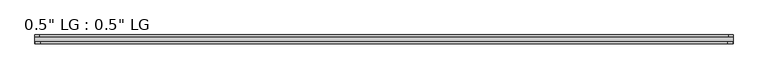
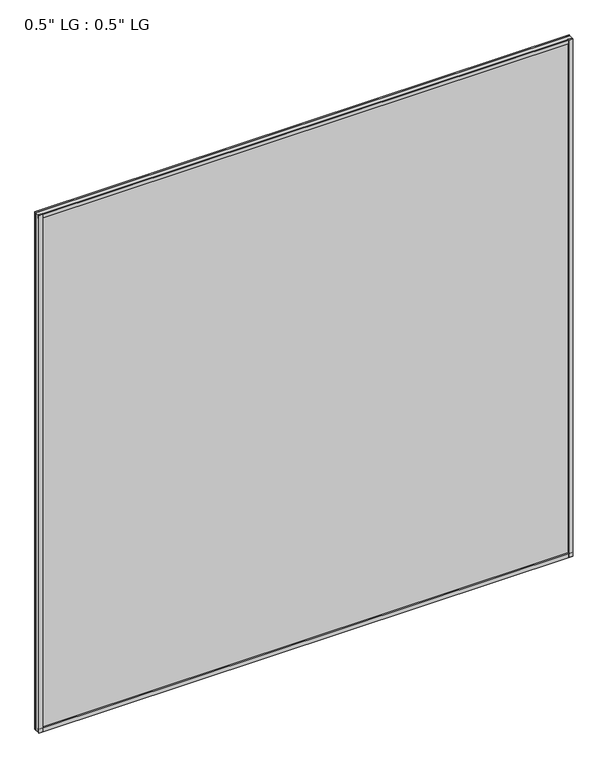
"""IFC4 building model written with IfcOpenShell, lengths in millimetres: plate geometry."""

from ifc_helpers import new_model, si_unit, frame, origin, origin_with_axes, place, context, project, spatial, polyline, outline, extrude, source, transform, mapped, element, save


def plate_247df6f0(model_context):
    return source(origin(), model_context, "Body", "SweptSolid", [
        extrude(outline(polyline([(901.7, 33.6248375), (890.2474034, 33.6248375), (890.2474034, 38.2984375), (901.7, 38.2984375), (901.7, 33.6248375)])), origin_with_axes(), (0.0, 0.0, 1.0), 1844.675),
        extrude(outline(polyline([(887.4806761, 20.0104375), (900.8843966, 20.0104375), (900.8843966, 15.8194375), (887.4806761, 15.8194375), (887.4806761, 20.0104375)])), origin_with_axes(), (0.0, 0.0, 1.0), 1844.675),
        extrude(outline(polyline([(-890.1821913, 38.2984375), (-890.1821913, 33.6248375), (-901.7, 33.6248375), (-901.7, 38.2984375), (-890.1821913, 38.2984375)])), origin_with_axes(), (0.0, 0.0, 1.0), 1844.675),
        extrude(outline(polyline([(-887.4909512, 20.0104375), (-887.4909512, 15.8194375), (-900.8843966, 15.8194375), (-900.8843966, 20.0104375), (-887.4909512, 20.0104375)])), origin_with_axes(), (0.0, 0.0, 1.0), 1844.675),
        extrude(outline(polyline([(901.7, 38.2984375), (901.7, 33.6248375), (-901.7, 33.6248375), (-901.7, 38.2984375), (901.7, 38.2984375)])), origin_with_axes(), (0.0, 0.0, 1.0), 11.444324),
        extrude(outline(polyline([(901.7, 20.0104375), (901.7, 15.8194375), (-901.7, 15.8194375), (-901.7, 20.0104375), (901.7, 20.0104375)])), origin_with_axes(), (0.0, 0.0, 1.0), 14.1703966),
        extrude(outline(polyline([(901.7, 38.2984375), (901.7, 33.6248375), (-901.7, 33.6248375), (-901.7, 38.2984375), (901.7, 38.2984375)])), frame((0.0, 0.0, 1833.0098974), z_axis=(0.0, 0.0, 1.0), x_axis=(1.0, 0.0, 0.0)), (0.0, 0.0, 1.0), 11.6651026),
        extrude(outline(polyline([(901.7, 20.0104375), (901.7, 15.8194375), (-901.7, 15.8194375), (-901.7, 20.0104375), (901.7, 20.0104375)])), frame((0.0, 0.0, 1833.0098974), z_axis=(0.0, 0.0, 1.0), x_axis=(1.0, 0.0, 0.0)), (0.0, 0.0, 1.0), 11.6651026),
        extrude(outline(polyline([(901.7, 33.6248375), (901.7, 20.0104375), (-901.7, 20.0104375), (-901.7, 33.6248375), (901.7, 33.6248375)])), origin_with_axes(), (0.0, 0.0, 1.0), 1844.675),
    ])


if __name__ == "__main__":
    model = new_model("IFC4")
    model_context = context("Model", 3, world=origin())
    ifc_project = project(units=[si_unit("LENGTHUNIT", "METRE", prefix="MILLI")], contexts=[model_context])
    site = spatial("IfcSite", under=ifc_project)
    building = spatial("IfcBuilding", under=site)
    placement = place(None, origin())
    plate_shape = plate_247df6f0(model_context)
    element("IfcPlate", 1, ObjectType="0.5\" LG : 0.5\" LG", at=placement, inside=building, context=model_context, shape_type="MappedRepresentation", body=[
        mapped(plate_shape, transform((0.0, 0.0, 0.0), x_axis=(1.0, 0.0, 0.0), y_axis=(0.0, 1.0, 0.0), z_axis=(0.0, 0.0, 1.0))),
    ])
    save(model, "model.ifc")
